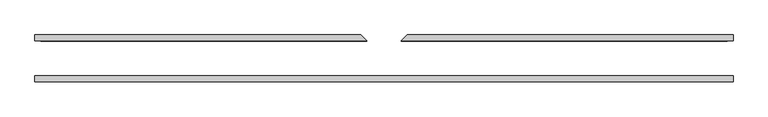
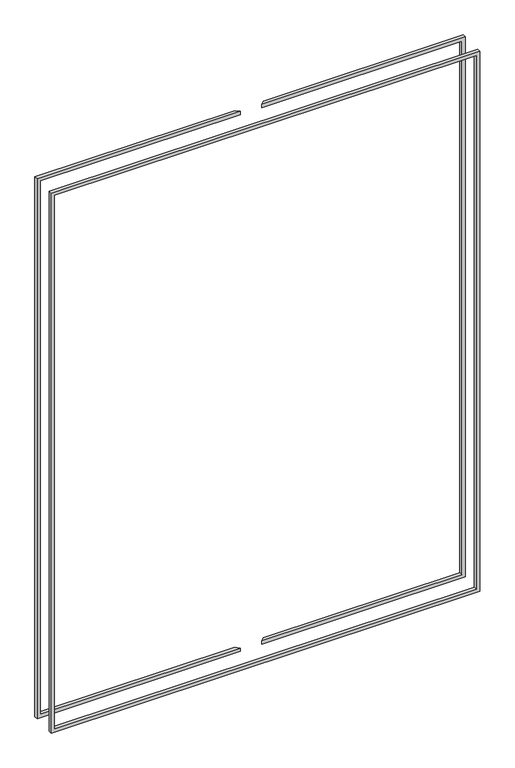
"""IFC4 building model written with IfcOpenShell, lengths in millimetres: proxy geometry."""

from ifc_helpers import new_model, si_unit, origin, place, context, project, spatial, faceted_brep, source, transform, mapped, element, save


def generic_models_a8a23942(model_context):
    return source(origin(), model_context, "Body", "Brep", [
        faceted_brep([(-887.4125, 59.53125, 2392.3625), (-887.4125, 44.45, 2392.3625), (-44.45, 44.45, 2392.3625), (-59.53125, 59.53125, 2392.3625), (-887.4125, 44.45, 26.9875), (-887.4125, 59.53125, 26.9875), (-59.53125, 59.53125, 26.9875), (-44.45, 44.45, 26.9875), (-59.53125, 59.53125, 2378.075), (-873.125, 59.53125, 2378.075), (-873.125, 59.53125, 41.275), (-59.53125, 59.53125, 41.275), (-44.45, 44.45, 41.275), (-873.125, 44.45, 41.275), (-873.125, 44.45, 2378.075), (-44.45, 44.45, 2378.075)], [[[0, 1, 2, 3]], [[4, 5, 6, 7]], [[5, 0, 3, 8, 9, 10, 11, 6]], [[1, 0, 5, 4]], [[1, 4, 7, 12, 13, 14, 15, 2]], [[9, 14, 13, 10]], [[15, 14, 9, 8]], [[3, 2, 15, 8]], [[11, 10, 13, 12]], [[11, 12, 7, 6]]]),
        faceted_brep([(-887.4125, -44.45, 2392.3625), (-887.4125, -59.53125, 2392.3625), (887.4125, -59.53125, 2392.3625), (887.4125, -44.45, 2392.3625), (-887.4125, -59.53125, 26.9875), (-887.4125, -44.45, 26.9875), (887.4125, -44.45, 26.9875), (887.4125, -59.53125, 26.9875), (-873.125, -44.45, 41.275), (873.125, -44.45, 41.275), (873.125, -44.45, 2378.075), (-873.125, -44.45, 2378.075), (-873.125, -59.53125, 2378.075), (873.125, -59.53125, 2378.075), (873.125, -59.53125, 41.275), (-873.125, -59.53125, 41.275)], [[[0, 1, 2, 3]], [[4, 5, 6, 7]], [[6, 5, 0, 3], [8, 9, 10, 11]], [[1, 0, 5, 4]], [[2, 1, 4, 7], [12, 13, 14, 15]], [[11, 12, 15, 8]], [[13, 12, 11, 10]], [[9, 8, 15, 14]], [[10, 9, 14, 13]], [[3, 2, 7, 6]]]),
        faceted_brep([(887.4125, 44.45, 2392.3625), (887.4125, 59.53125, 2392.3625), (59.53125, 59.53125, 2392.3625), (44.45, 44.45, 2392.3625), (887.4125, 59.53125, 26.9875), (887.4125, 44.45, 26.9875), (44.45, 44.45, 26.9875), (59.53125, 59.53125, 26.9875), (44.45, 44.45, 2378.075), (59.53125, 59.53125, 2378.075), (873.125, 59.53125, 2378.075), (873.125, 44.45, 2378.075), (59.53125, 59.53125, 41.275), (44.45, 44.45, 41.275), (873.125, 44.45, 41.275), (873.125, 59.53125, 41.275)], [[[0, 1, 2, 3]], [[4, 5, 6, 7]], [[8, 9, 10, 11]], [[12, 13, 14, 15]], [[13, 12, 7, 6]], [[0, 3, 8, 11, 14, 13, 6, 5]], [[2, 1, 4, 7, 12, 15, 10, 9]], [[3, 2, 9, 8]], [[14, 11, 10, 15]], [[1, 0, 5, 4]]]),
    ])


if __name__ == "__main__":
    model = new_model("IFC4")
    model_context = context("Model", 3, world=origin())
    ifc_project = project(units=[si_unit("LENGTHUNIT", "METRE", prefix="MILLI")], contexts=[model_context])
    site = spatial("IfcSite", under=ifc_project)
    building = spatial("IfcBuilding", under=site)
    placement = place(None, origin())
    generic_models_shape = generic_models_a8a23942(model_context)
    element("IfcBuildingElementProxy", 1, Name="Generic Models", at=placement, inside=building, context=model_context, shape_type="MappedRepresentation", body=[
        mapped(generic_models_shape, transform((0.0, 0.0, 0.0), x_axis=(1.0, 0.0, 0.0), y_axis=(0.0, 1.0, 0.0), z_axis=(0.0, 0.0, 1.0))),
    ])
    save(model, "model.ifc")
